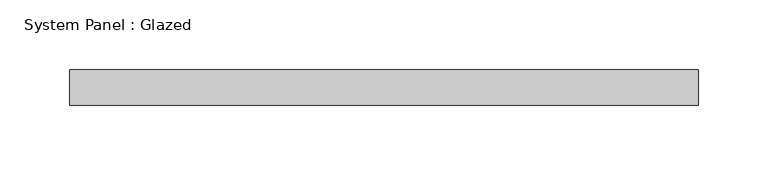
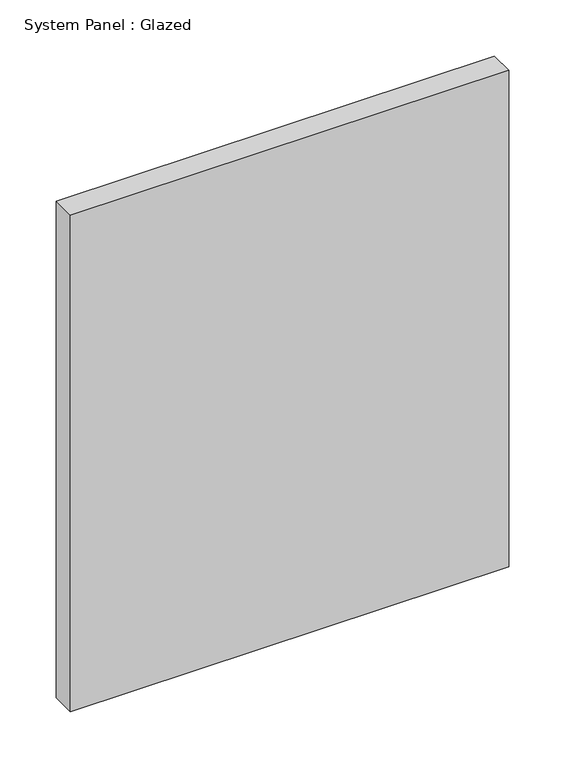
"""IFC4 building model written with IfcOpenShell, lengths in millimetres: plate geometry, System Panel : Glazed."""

from ifc_helpers import new_model, si_unit, origin, origin_with_axes, place, context, project, spatial, polyline, outline, extrude, source, transform, mapped, element, save


def system_panel_glazed_bfb0e90d(model_context):
    return source(origin(), model_context, "Body", "SweptSolid", [
        extrude(outline(polyline([(225.425, -12.7), (-225.425, -12.7), (-225.425, 12.7), (225.425, 12.7), (225.425, -12.7)])), origin_with_axes(), (0.0, 0.0, 1.0), 539.75),
    ])


if __name__ == "__main__":
    model = new_model("IFC4")
    model_context = context("Model", 3, world=origin())
    ifc_project = project(units=[si_unit("LENGTHUNIT", "METRE", prefix="MILLI")], contexts=[model_context])
    site = spatial("IfcSite", under=ifc_project)
    building = spatial("IfcBuilding", under=site)
    placement = place(None, origin())
    system_panel_glazed_shape = system_panel_glazed_bfb0e90d(model_context)
    element("IfcPlate", 1, ObjectType="System Panel : Glazed", at=placement, inside=building, context=model_context, shape_type="MappedRepresentation", body=[
        mapped(system_panel_glazed_shape, transform((0.0, 0.0, 0.0), x_axis=(1.0, 0.0, 0.0), y_axis=(0.0, 1.0, 0.0), z_axis=(0.0, 0.0, 1.0))),
    ])
    save(model, "model.ifc")
